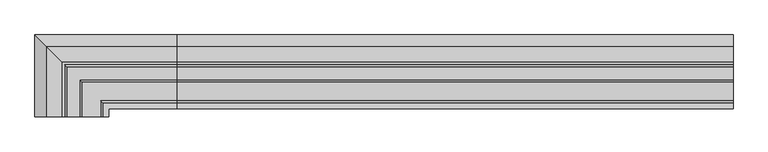
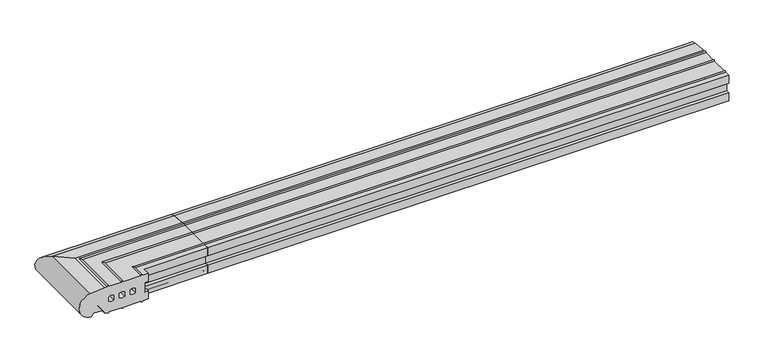
"""IFC4 building model written with IfcOpenShell, lengths in millimetres: proxy geometry."""

from ifc_helpers import new_model, si_unit, point, frame, frame_2d, origin, place, context, project, spatial, polyline, circle_curve, ellipse_curve, trimmed, segment, composite_curve, outline, extrude, source, transform, mapped, element, save
from ifc_brep_helpers import plane_surface, cylinder_surface, revolved_surface, advanced_brep


def generic_models_230ff172(model_context):
    return source(origin(), model_context, "Body", "SolidModel", [
        advanced_brep(
        [(0.0, 26.5981483, 2.5074549), (0.0, 28.0858073, 50.4091909), (0.0, 0.0400993, 52.8558627), (0.0, -5.0, 52.8558627), (0.0, -8.5, 52.8558627), (0.0, -33.0, 52.8558627), (0.0, -36.5, 52.8558627), (0.0, -71.0, 52.8558627), (0.0, -74.5, 52.8558627), (0.0, -85.0, 52.8558627), (0.0, -85.0, 36.5), (0.0, -78.0, 36.5), (0.0, -78.0, 16.5), (0.0, -85.0, 16.5), (0.0, -85.0, 0.0), (0.0, -74.5, 0.0), (0.0, -71.0, 0.0), (0.0, -36.5, 0.0), (0.0, -33.0, 0.0), (0.0, -8.5, 0.0), (0.0, -5.0, 0.0), (0.0, -0.5773503, 0.0), (0.0, 0.2886751, 0.5), (0.0, 3.7527767, 6.5), (0.0, 5.4848276, 7.5), (0.0, 21.9585481, 7.5), (0.0, 23.6905989, 6.5), (0.0, 25.7072001, 3.0071443), (0.0, -8.0, 31.0), (0.0, -8.0, 22.0), (0.0, -18.0, 22.0), (0.0, -18.0, 31.0), (0.0, -29.0, 22.0), (0.0, -39.0, 22.0), (0.0, -39.0, 31.0), (0.0, -29.0, 31.0), (0.0, -50.0, 22.0), (0.0, -60.0, 22.0), (0.0, -60.0, 31.0), (0.0, -50.0, 31.0), (-236.5981483, -100.0, 2.5074549), (-235.7072001, -100.0, 3.0071443), (-233.6905989, -100.0, 6.5), (-231.9585481, -100.0, 7.5), (-215.4848276, -100.0, 7.5), (-213.7527767, -100.0, 6.5), (-210.2886751, -100.0, 0.5), (-209.4226497, -100.0, 0.0), (-205.0, -100.0, 0.0), (-201.5, -100.0, 0.0), (-177.0, -100.0, 0.0), (-173.5, -100.0, 0.0), (-139.0, -100.0, 0.0), (-135.5, -100.0, 0.0), (-125.0, -100.0, 0.0), (-125.0, -100.0, 16.5), (-132.0, -100.0, 16.5), (-132.0, -100.0, 36.5), (-125.0, -100.0, 36.5), (-125.0, -100.0, 52.8558627), (-135.5, -100.0, 52.8558627), (-139.0, -100.0, 52.8558627), (-173.5, -100.0, 52.8558627), (-177.0, -100.0, 52.8558627), (-201.5, -100.0, 52.8558627), (-205.0, -100.0, 52.8558627), (-210.0400993, -100.0, 52.8558627), (-238.0858073, -100.0, 50.4091909), (-202.0, -100.0, 31.0), (-192.0, -100.0, 31.0), (-192.0, -100.0, 22.0), (-202.0, -100.0, 22.0), (-181.0, -100.0, 22.0), (-181.0, -100.0, 31.0), (-171.0, -100.0, 31.0), (-171.0, -100.0, 22.0), (-160.0, -100.0, 22.0), (-160.0, -100.0, 31.0), (-150.0, -100.0, 31.0), (-150.0, -100.0, 22.0), (-235.7072001, 25.7072001, 3.0071443), (-236.5981483, 26.5981483, 2.5074549), (-233.6905989, 23.6905989, 6.5), (-231.9585481, 21.9585481, 7.5), (-215.4848276, 5.4848276, 7.5), (-213.7527767, 3.7527767, 6.5), (-210.2886751, 0.2886751, 0.5), (-209.4226497, -0.5773503, 0.0), (-205.0, -5.0, 0.0), (-201.5, -8.5, 0.0), (-177.0, -33.0, 0.0), (-173.5, -36.5, 0.0), (-139.0, -71.0, 0.0), (-135.5, -74.5, 0.0), (-125.0, -85.0, 0.0), (-125.0, -85.0, 16.5), (-132.0, -78.0, 16.5), (-132.0, -78.0, 36.5), (-125.0, -85.0, 36.5), (-125.0, -85.0, 52.8558627), (-135.5, -74.5, 52.8558627), (-139.0, -71.0, 52.8558627), (-173.5, -36.5, 52.8558627), (-177.0, -33.0, 52.8558627), (-201.5, -8.5, 52.8558627), (-205.0, -5.0, 52.8558627), (-210.0400993, 0.0400993, 52.8558627), (-238.0858073, 28.0858073, 50.4091909), (-192.0, -18.0, 31.0), (-202.0, -8.0, 31.0), (-192.0, -18.0, 22.0), (-202.0, -8.0, 22.0), (-181.0, -29.0, 31.0), (-181.0, -29.0, 22.0), (-171.0, -39.0, 31.0), (-171.0, -39.0, 22.0), (-160.0, -50.0, 31.0), (-160.0, -50.0, 22.0), (-150.0, -60.0, 31.0), (-150.0, -60.0, 22.0)],
        [
            (0, 1, circle_curve(frame((0.0, 26.0, 26.5), z_axis=(1.0, 0.0, 0.0), x_axis=(0.0, 1.0, 0.0)), 24.0)),
            (1, 2),
            (2, 3),
            (3, 4, circle_curve(frame((0.0, -6.75, 52.8558627), z_axis=(1.0, 0.0, 0.0), x_axis=(0.0, 1.0, 0.0)), 1.75)),
            (4, 5),
            (5, 6, circle_curve(frame((0.0, -34.75, 52.8558627), z_axis=(1.0, 0.0, 0.0), x_axis=(0.0, 1.0, 0.0)), 1.75)),
            (6, 7),
            (7, 8, circle_curve(frame((0.0, -72.75, 52.8558627), z_axis=(1.0, 0.0, 0.0), x_axis=(0.0, 1.0, 0.0)), 1.75)),
            (8, 9),
            (9, 10),
            (10, 11),
            (11, 12),
            (12, 13),
            (13, 14),
            (14, 15),
            (15, 16, circle_curve(frame((0.0, -72.75, 0.0), z_axis=(1.0, 0.0, 0.0), x_axis=(0.0, 1.0, 0.0)), 1.75)),
            (16, 17),
            (17, 18, circle_curve(frame((0.0, -34.75, 0.0), z_axis=(1.0, 0.0, 0.0), x_axis=(0.0, 1.0, 0.0)), 1.75)),
            (18, 19),
            (19, 20, circle_curve(frame((0.0, -6.75, 0.0), z_axis=(1.0, 0.0, 0.0), x_axis=(0.0, 1.0, 0.0)), 1.75)),
            (20, 21),
            (21, 22, circle_curve(frame((0.0, -0.5773503, 1.0), z_axis=(1.0, 0.0, 0.0), x_axis=(0.0, 1.0, 0.0)), 1.0)),
            (22, 23),
            (23, 24, circle_curve(frame((0.0, 5.4848276, 5.5), z_axis=(-1.0, 0.0, 0.0), x_axis=(0.0, 1.0, 0.0)), 2.0)),
            (24, 25),
            (25, 26, circle_curve(frame((0.0, 21.9585481, 5.5), z_axis=(-1.0, 0.0, 0.0), x_axis=(0.0, 1.0, 0.0)), 2.0)),
            (26, 27),
            (27, 0, circle_curve(frame((0.0, 26.5732255, 3.5071443), z_axis=(1.0, 0.0, 0.0), x_axis=(0.0, 1.0, 0.0)), 1.0)),
            (28, 29),
            (29, 30, circle_curve(frame((0.0, -13.0, 29.5833333), z_axis=(-1.0, 0.0, 0.0), x_axis=(0.0, 1.0, 0.0)), 9.0833333)),
            (30, 31),
            (31, 28, circle_curve(frame((0.0, -13.0, 23.4166667), z_axis=(-1.0, 0.0, 0.0), x_axis=(0.0, 1.0, 0.0)), 9.0833333)),
            (32, 33, circle_curve(frame((0.0, -34.0, 29.5833333), z_axis=(-1.0, 0.0, 0.0), x_axis=(0.0, 1.0, 0.0)), 9.0833333)),
            (33, 34),
            (34, 35, circle_curve(frame((0.0, -34.0, 23.4166667), z_axis=(-1.0, 0.0, 0.0), x_axis=(0.0, 1.0, 0.0)), 9.0833333)),
            (35, 32),
            (36, 37, circle_curve(frame((0.0, -55.0, 29.5833333), z_axis=(-1.0, 0.0, 0.0), x_axis=(0.0, 1.0, 0.0)), 9.0833333)),
            (37, 38),
            (38, 39, circle_curve(frame((0.0, -55.0, 23.4166667), z_axis=(-1.0, 0.0, 0.0), x_axis=(0.0, 1.0, 0.0)), 9.0833333)),
            (39, 36),
            (40, 41, circle_curve(frame((-236.5732255, -100.0, 3.5071443), z_axis=(0.0, -1.0, 0.0), x_axis=(-1.0, 0.0, 0.0)), 1.0)),
            (41, 42),
            (42, 43, circle_curve(frame((-231.9585481, -100.0, 5.5), z_axis=(0.0, 1.0, 0.0), x_axis=(-1.0, 0.0, 0.0)), 2.0)),
            (43, 44),
            (44, 45, circle_curve(frame((-215.4848276, -100.0, 5.5), z_axis=(0.0, 1.0, 0.0), x_axis=(-1.0, 0.0, 0.0)), 2.0)),
            (45, 46),
            (46, 47, circle_curve(frame((-209.4226497, -100.0, 1.0), z_axis=(0.0, -1.0, 0.0), x_axis=(-1.0, 0.0, 0.0)), 1.0)),
            (47, 48),
            (48, 49, circle_curve(frame((-203.25, -100.0, 0.0), z_axis=(0.0, -1.0, 0.0), x_axis=(-1.0, 0.0, 0.0)), 1.75)),
            (49, 50),
            (50, 51, circle_curve(frame((-175.25, -100.0, 0.0), z_axis=(0.0, -1.0, 0.0), x_axis=(-1.0, 0.0, 0.0)), 1.75)),
            (51, 52),
            (52, 53, circle_curve(frame((-137.25, -100.0, 0.0), z_axis=(0.0, -1.0, 0.0), x_axis=(-1.0, 0.0, 0.0)), 1.75)),
            (53, 54),
            (54, 55),
            (55, 56),
            (56, 57),
            (57, 58),
            (58, 59),
            (59, 60),
            (60, 61, circle_curve(frame((-137.25, -100.0, 52.8558627), z_axis=(0.0, -1.0, 0.0), x_axis=(-1.0, 0.0, 0.0)), 1.75)),
            (61, 62),
            (62, 63, circle_curve(frame((-175.25, -100.0, 52.8558627), z_axis=(0.0, -1.0, 0.0), x_axis=(-1.0, 0.0, 0.0)), 1.75)),
            (63, 64),
            (64, 65, circle_curve(frame((-203.25, -100.0, 52.8558627), z_axis=(0.0, -1.0, 0.0), x_axis=(-1.0, 0.0, 0.0)), 1.75)),
            (65, 66),
            (66, 67),
            (67, 40, circle_curve(frame((-236.0, -100.0, 26.5), z_axis=(0.0, -1.0, 0.0), x_axis=(-1.0, 0.0, 0.0)), 24.0)),
            (68, 69, circle_curve(frame((-197.0, -100.0, 23.4166667), z_axis=(0.0, 1.0, 0.0), x_axis=(-1.0, 0.0, 0.0)), 9.0833333)),
            (69, 70),
            (70, 71, circle_curve(frame((-197.0, -100.0, 29.5833333), z_axis=(0.0, 1.0, 0.0), x_axis=(-1.0, 0.0, 0.0)), 9.0833333)),
            (71, 68),
            (72, 73),
            (73, 74, circle_curve(frame((-176.0, -100.0, 23.4166667), z_axis=(0.0, 1.0, 0.0), x_axis=(-1.0, 0.0, 0.0)), 9.0833333)),
            (74, 75),
            (75, 72, circle_curve(frame((-176.0, -100.0, 29.5833333), z_axis=(0.0, 1.0, 0.0), x_axis=(-1.0, 0.0, 0.0)), 9.0833333)),
            (76, 77),
            (77, 78, circle_curve(frame((-155.0, -100.0, 23.4166667), z_axis=(0.0, 1.0, 0.0), x_axis=(-1.0, 0.0, 0.0)), 9.0833333)),
            (78, 79),
            (79, 76, circle_curve(frame((-155.0, -100.0, 29.5833333), z_axis=(0.0, 1.0, 0.0), x_axis=(-1.0, 0.0, 0.0)), 9.0833333)),
            (27, 80),
            (80, 81, ellipse_curve(frame((-236.5732255, 26.5732255, 3.5071443), z_axis=(0.70710678118655, 0.7071067811865449, 0.0), x_axis=(0.7071067811865451, -0.7071067811865499, 0.0)), 1.4142136, 1.0)),
            (81, 0),
            (26, 82),
            (82, 80),
            (25, 83),
            (83, 82, ellipse_curve(frame((-231.9585481, 21.9585481, 5.5), z_axis=(-0.70710678118655, -0.7071067811865449, 0.0), x_axis=(-0.7071067811865451, 0.7071067811865499, 0.0)), 2.8284271, 2.0)),
            (24, 84),
            (84, 44),
            (43, 83),
            (23, 85),
            (85, 84, ellipse_curve(frame((-215.4848276, 5.4848276, 5.5), z_axis=(-0.70710678118655, -0.7071067811865449, 0.0), x_axis=(-0.7071067811865451, 0.7071067811865499, 0.0)), 2.8284271, 2.0)),
            (22, 86),
            (86, 85),
            (21, 87),
            (87, 86, ellipse_curve(frame((-209.4226497, -0.5773503, 1.0), z_axis=(0.70710678118655, 0.7071067811865449, 0.0), x_axis=(0.7071067811865451, -0.7071067811865499, 0.0)), 1.4142136, 1.0)),
            (20, 88),
            (88, 48),
            (47, 87),
            (19, 89),
            (89, 88, ellipse_curve(frame((-203.25, -6.75, 0.0), z_axis=(0.70710678118655, 0.7071067811865449, 0.0), x_axis=(0.7071067811865451, -0.7071067811865499, 0.0)), 2.4748737, 1.75)),
            (18, 90),
            (90, 50),
            (49, 89),
            (17, 91),
            (91, 90, ellipse_curve(frame((-175.25, -34.75, 0.0), z_axis=(0.70710678118655, 0.7071067811865449, 0.0), x_axis=(0.7071067811865451, -0.7071067811865499, 0.0)), 2.4748737, 1.75)),
            (16, 92),
            (92, 52),
            (51, 91),
            (15, 93),
            (93, 92, ellipse_curve(frame((-137.25, -72.75, 0.0), z_axis=(0.70710678118655, 0.7071067811865449, 0.0), x_axis=(0.7071067811865451, -0.7071067811865499, 0.0)), 2.4748737, 1.75)),
            (14, 94),
            (94, 54),
            (53, 93),
            (13, 95),
            (95, 94),
            (12, 96),
            (96, 56),
            (55, 95),
            (11, 97),
            (97, 96),
            (10, 98),
            (98, 58),
            (57, 97),
            (9, 99),
            (99, 98),
            (8, 100),
            (100, 60),
            (59, 99),
            (7, 101),
            (101, 100, ellipse_curve(frame((-137.25, -72.75, 52.8558627), z_axis=(0.70710678118655, 0.7071067811865449, 0.0), x_axis=(0.7071067811865451, -0.7071067811865499, 0.0)), 2.4748737, 1.75)),
            (6, 102),
            (102, 62),
            (61, 101),
            (5, 103),
            (103, 102, ellipse_curve(frame((-175.25, -34.75, 52.8558627), z_axis=(0.70710678118655, 0.7071067811865449, 0.0), x_axis=(0.7071067811865451, -0.7071067811865499, 0.0)), 2.4748737, 1.75)),
            (4, 104),
            (104, 64),
            (63, 103),
            (3, 105),
            (105, 104, ellipse_curve(frame((-203.25, -6.75, 52.8558627), z_axis=(0.70710678118655, 0.7071067811865449, 0.0), x_axis=(0.7071067811865451, -0.7071067811865499, 0.0)), 2.4748737, 1.75)),
            (2, 106),
            (106, 66),
            (65, 105),
            (1, 107),
            (107, 106),
            (81, 107, ellipse_curve(frame((-236.0, 26.0, 26.5), z_axis=(0.70710678118655, 0.7071067811865449, 0.0), x_axis=(0.7071067811865451, -0.7071067811865499, 0.0)), 33.9411255, 24.0)),
            (31, 108),
            (108, 109, ellipse_curve(frame((-197.0, -13.0, 23.4166667), z_axis=(-0.70710678118655, -0.7071067811865449, 0.0), x_axis=(-0.7071067811865451, 0.7071067811865499, 0.0)), 12.8457732, 9.0833333)),
            (109, 28),
            (30, 110),
            (110, 108),
            (29, 111),
            (111, 110, ellipse_curve(frame((-197.0, -13.0, 29.5833333), z_axis=(-0.70710678118655, -0.7071067811865449, 0.0), x_axis=(-0.7071067811865451, 0.7071067811865499, 0.0)), 12.8457732, 9.0833333)),
            (109, 111),
            (35, 112),
            (112, 113),
            (113, 32),
            (34, 114),
            (114, 112, ellipse_curve(frame((-176.0, -34.0, 23.4166667), z_axis=(-0.70710678118655, -0.7071067811865449, 0.0), x_axis=(-0.7071067811865451, 0.7071067811865499, 0.0)), 12.8457732, 9.0833333)),
            (33, 115),
            (115, 114),
            (113, 115, ellipse_curve(frame((-176.0, -34.0, 29.5833333), z_axis=(-0.70710678118655, -0.7071067811865449, 0.0), x_axis=(-0.7071067811865451, 0.7071067811865499, 0.0)), 12.8457732, 9.0833333)),
            (39, 116),
            (116, 117),
            (117, 36),
            (38, 118),
            (118, 116, ellipse_curve(frame((-155.0, -55.0, 23.4166667), z_axis=(-0.70710678118655, -0.7071067811865449, 0.0), x_axis=(-0.7071067811865451, 0.7071067811865499, 0.0)), 12.8457732, 9.0833333)),
            (37, 119),
            (119, 118),
            (117, 119, ellipse_curve(frame((-155.0, -55.0, 29.5833333), z_axis=(-0.70710678118655, -0.7071067811865449, 0.0), x_axis=(-0.7071067811865451, 0.7071067811865499, 0.0)), 12.8457732, 9.0833333)),
            (80, 41),
            (40, 81),
            (82, 42),
            (85, 45),
            (86, 46),
            (107, 67),
            (108, 69),
            (68, 109),
            (110, 70),
            (111, 71),
            (112, 73),
            (72, 113),
            (114, 74),
            (115, 75),
            (116, 77),
            (76, 117),
            (118, 78),
            (119, 79),
        ],
        [
            plane_surface(frame((0.0, 0.0, 0.0), z_axis=(1.0, 0.0, 0.0), x_axis=(0.0, 0.0, 1.0))),
            plane_surface(frame((-210.0, -100.0, 0.0), z_axis=(0.0, -1.0, 0.0), x_axis=(0.0, 0.0, 1.0))),
            cylinder_surface(frame((0.0, 26.5732255, 3.5071443), z_axis=(1.0, 0.0, 0.0), x_axis=(0.0, 1.0, 0.0)), 1.0),
            plane_surface(frame((0.0, 23.6905989, 6.5), z_axis=(0.0, -0.8660254037844395, -0.4999999999999987), x_axis=(-1.0, 0.0, 0.0))),
            revolved_surface(polyline([(-233.9585480825018, 23.9585481, 5.5), (0.0, 23.9585481, 5.5)]), (0.0, 21.9585481, 5.5), (-1.0, 0.0, 0.0)),
            plane_surface(frame((0.0, 5.4848276, 7.5), z_axis=(0.0, 0.0, -1.0), x_axis=(-1.0, 0.0, 0.0))),
            revolved_surface(polyline([(-217.4848275825018, 7.4848276, 5.5), (0.0, 7.4848276, 5.5)]), (0.0, 5.4848276, 5.5), (-1.0, 0.0, 0.0)),
            plane_surface(frame((0.0, 0.2886751, 0.5), z_axis=(0.0, 0.8660254037844367, -0.5000000000000033), x_axis=(-1.0, 0.0, 0.0))),
            cylinder_surface(frame((0.0, -0.5773503, 1.0), z_axis=(1.0, 0.0, 0.0), x_axis=(0.0, 1.0, 0.0)), 1.0),
            plane_surface(frame((0.0, -5.0, 0.0), z_axis=(0.0, 0.0, -1.0), x_axis=(-1.0, 0.0, 0.0))),
            cylinder_surface(frame((0.0, -6.75, 0.0), z_axis=(1.0, 0.0, 0.0), x_axis=(0.0, 1.0, 0.0)), 1.75),
            plane_surface(frame((0.0, -33.0, 0.0), z_axis=(0.0, 0.0, -1.0), x_axis=(-1.0, 0.0, 0.0))),
            cylinder_surface(frame((0.0, -34.75, 0.0), z_axis=(1.0, 0.0, 0.0), x_axis=(0.0, 1.0, 0.0)), 1.75),
            plane_surface(frame((0.0, -71.0, 0.0), z_axis=(0.0, 0.0, -1.0), x_axis=(-1.0, 0.0, 0.0))),
            cylinder_surface(frame((0.0, -72.75, 0.0), z_axis=(1.0, 0.0, 0.0), x_axis=(0.0, 1.0, 0.0)), 1.75),
            plane_surface(frame((0.0, -85.0, 0.0), z_axis=(0.0, 0.0, -1.0), x_axis=(-1.0, 0.0, 0.0))),
            plane_surface(frame((0.0, -85.0, 16.5), z_axis=(0.0, -1.0, 0.0), x_axis=(-1.0, 0.0, 0.0))),
            plane_surface(frame((0.0, -78.0, 16.5), z_axis=(0.0, 0.0, 1.0), x_axis=(-1.0, 0.0, 0.0))),
            plane_surface(frame((0.0, -78.0, 36.5), z_axis=(0.0, -1.0, 0.0), x_axis=(-1.0, 0.0, 0.0))),
            plane_surface(frame((0.0, -85.0, 36.5), z_axis=(0.0, 0.0, -1.0), x_axis=(-1.0, 0.0, 0.0))),
            plane_surface(frame((0.0, -85.0, 52.8558627), z_axis=(0.0, -1.0, 0.0), x_axis=(-1.0, 0.0, 0.0))),
            plane_surface(frame((0.0, -74.5, 52.8558627), z_axis=(0.0, 0.0, 1.0), x_axis=(-1.0, 0.0, 0.0))),
            cylinder_surface(frame((0.0, -72.75, 52.8558627), z_axis=(1.0, 0.0, 0.0), x_axis=(0.0, 1.0, 0.0)), 1.75),
            plane_surface(frame((0.0, -36.5, 52.8558627), z_axis=(0.0, 0.0, 1.0), x_axis=(-1.0, 0.0, 0.0))),
            cylinder_surface(frame((0.0, -34.75, 52.8558627), z_axis=(1.0, 0.0, 0.0), x_axis=(0.0, 1.0, 0.0)), 1.75),
            plane_surface(frame((0.0, -8.5, 52.8558627), z_axis=(0.0, 0.0, 1.0), x_axis=(-1.0, 0.0, 0.0))),
            cylinder_surface(frame((0.0, -6.75, 52.8558627), z_axis=(1.0, 0.0, 0.0), x_axis=(0.0, 1.0, 0.0)), 1.75),
            plane_surface(frame((0.0, 0.0400993, 52.8558627), z_axis=(0.0, 0.0, 1.0), x_axis=(-1.0, 0.0, 0.0))),
            plane_surface(frame((0.0, 28.0858073, 50.4091909), z_axis=(0.0, 0.0869086394462769, 0.9962162859487879), x_axis=(-1.0, 0.0, 0.0))),
            cylinder_surface(frame((0.0, 26.0, 26.5), z_axis=(1.0, 0.0, 0.0), x_axis=(0.0, 1.0, 0.0)), 24.0),
            revolved_surface(polyline([(-206.08333333930437, -3.9166667000000004, 23.4166667), (0.0, -3.9166667000000004, 23.4166667)]), (0.0, -13.0, 23.4166667), (-1.0, 0.0, 0.0)),
            plane_surface(frame((0.0, -18.0, 22.0), z_axis=(0.0, 1.0, 0.0), x_axis=(-1.0, 0.0, 0.0))),
            revolved_surface(polyline([(-206.08333333930437, -3.9166667000000004, 29.5833333), (0.0, -3.9166667000000004, 29.5833333)]), (0.0, -13.0, 29.5833333), (-1.0, 0.0, 0.0)),
            plane_surface(frame((0.0, -8.0, 31.0), z_axis=(0.0, -1.0, 0.0), x_axis=(-1.0, 0.0, 0.0))),
            plane_surface(frame((0.0, -29.0, 31.0), z_axis=(0.0, -1.0, 0.0), x_axis=(-1.0, 0.0, 0.0))),
            revolved_surface(polyline([(-185.08333333930437, -24.9166667, 23.4166667), (0.0, -24.9166667, 23.4166667)]), (0.0, -34.0, 23.4166667), (-1.0, 0.0, 0.0)),
            plane_surface(frame((0.0, -39.0, 22.0), z_axis=(0.0, 1.0, 0.0), x_axis=(-1.0, 0.0, 0.0))),
            revolved_surface(polyline([(-185.08333333930437, -24.9166667, 29.5833333), (0.0, -24.9166667, 29.5833333)]), (0.0, -34.0, 29.5833333), (-1.0, 0.0, 0.0)),
            plane_surface(frame((0.0, -50.0, 31.0), z_axis=(0.0, -1.0, 0.0), x_axis=(-1.0, 0.0, 0.0))),
            revolved_surface(polyline([(-164.08333333930437, -45.9166667, 23.4166667), (0.0, -45.9166667, 23.4166667)]), (0.0, -55.0, 23.4166667), (-1.0, 0.0, 0.0)),
            plane_surface(frame((0.0, -60.0, 22.0), z_axis=(0.0, 1.0, 0.0), x_axis=(-1.0, 0.0, 0.0))),
            revolved_surface(polyline([(-164.08333333930437, -45.9166667, 29.5833333), (0.0, -45.9166667, 29.5833333)]), (0.0, -55.0, 29.5833333), (-1.0, 0.0, 0.0)),
            cylinder_surface(frame((-236.5732255, 0.0, 3.5071443), z_axis=(0.0, 1.0, 0.0), x_axis=(-1.0, 0.0, 0.0)), 1.0),
            plane_surface(frame((-233.6905989, 23.6905989, 6.5), z_axis=(0.8660254037844395, 0.0, -0.49999999999999867), x_axis=(0.0, -1.0, 0.0))),
            revolved_surface(polyline([(-233.9585481, -100.0, 5.5), (-233.9585481, 23.95854808250181, 5.5)]), (-231.9585481, 0.0, 5.5), (0.0, -1.0, 0.0)),
            revolved_surface(polyline([(-217.4848276, -100.0, 5.5), (-217.4848276, 7.484827582501808, 5.5)]), (-215.4848276, 0.0, 5.5), (0.0, -1.0, 0.0)),
            plane_surface(frame((-210.2886751, 0.2886751, 0.5), z_axis=(-0.8660254037844368, 0.0, -0.5000000000000033), x_axis=(0.0, -1.0, 0.0))),
            cylinder_surface(frame((-209.4226497, 0.0, 1.0), z_axis=(0.0, 1.0, 0.0), x_axis=(-1.0, 0.0, 0.0)), 1.0),
            cylinder_surface(frame((-203.25, 0.0, 0.0), z_axis=(0.0, 1.0, 0.0), x_axis=(-1.0, 0.0, 0.0)), 1.75),
            cylinder_surface(frame((-175.25, 0.0, 0.0), z_axis=(0.0, 1.0, 0.0), x_axis=(-1.0, 0.0, 0.0)), 1.75),
            cylinder_surface(frame((-137.25, 0.0, 0.0), z_axis=(0.0, 1.0, 0.0), x_axis=(-1.0, 0.0, 0.0)), 1.75),
            plane_surface(frame((-125.0, -85.0, 16.5), z_axis=(1.0, 0.0, 0.0), x_axis=(0.0, -1.0, 0.0))),
            plane_surface(frame((-132.0, -78.0, 36.5), z_axis=(1.0, 0.0, 0.0), x_axis=(0.0, -1.0, 0.0))),
            plane_surface(frame((-125.0, -85.0, 52.8558627), z_axis=(1.0, 0.0, 0.0), x_axis=(0.0, -1.0, 0.0))),
            cylinder_surface(frame((-137.25, 0.0, 52.8558627), z_axis=(0.0, 1.0, 0.0), x_axis=(-1.0, 0.0, 0.0)), 1.75),
            cylinder_surface(frame((-175.25, 0.0, 52.8558627), z_axis=(0.0, 1.0, 0.0), x_axis=(-1.0, 0.0, 0.0)), 1.75),
            cylinder_surface(frame((-203.25, 0.0, 52.8558627), z_axis=(0.0, 1.0, 0.0), x_axis=(-1.0, 0.0, 0.0)), 1.75),
            plane_surface(frame((-238.0858073, 28.0858073, 50.4091909), z_axis=(-0.08690863944627691, 0.0, 0.9962162859487879), x_axis=(0.0, -1.0, 0.0))),
            cylinder_surface(frame((-236.0, 0.0, 26.5), z_axis=(0.0, 1.0, 0.0), x_axis=(-1.0, 0.0, 0.0)), 24.0),
            revolved_surface(polyline([(-206.0833333, -100.0, 23.4166667), (-206.0833333, -3.9166666606955527, 23.4166667)]), (-197.0, 0.0, 23.4166667), (0.0, -1.0, 0.0)),
            plane_surface(frame((-192.0, -18.0, 22.0), z_axis=(-1.0, 0.0, 0.0), x_axis=(0.0, -1.0, 0.0))),
            revolved_surface(polyline([(-206.0833333, -100.0, 29.5833333), (-206.0833333, -3.9166666606955527, 29.5833333)]), (-197.0, 0.0, 29.5833333), (0.0, -1.0, 0.0)),
            plane_surface(frame((-202.0, -8.0, 31.0), z_axis=(1.0, 0.0, 0.0), x_axis=(0.0, -1.0, 0.0))),
            plane_surface(frame((-181.0, -29.0, 31.0), z_axis=(1.0, 0.0, 0.0), x_axis=(0.0, -1.0, 0.0))),
            revolved_surface(polyline([(-185.0833333, -100.0, 23.4166667), (-185.0833333, -24.916666660695554, 23.4166667)]), (-176.0, 0.0, 23.4166667), (0.0, -1.0, 0.0)),
            plane_surface(frame((-171.0, -39.0, 22.0), z_axis=(-1.0, 0.0, 0.0), x_axis=(0.0, -1.0, 0.0))),
            revolved_surface(polyline([(-185.0833333, -100.0, 29.5833333), (-185.0833333, -24.916666660695554, 29.5833333)]), (-176.0, 0.0, 29.5833333), (0.0, -1.0, 0.0)),
            plane_surface(frame((-160.0, -50.0, 31.0), z_axis=(1.0, 0.0, 0.0), x_axis=(0.0, -1.0, 0.0))),
            revolved_surface(polyline([(-164.0833333, -100.0, 23.4166667), (-164.0833333, -45.916666660695554, 23.4166667)]), (-155.0, 0.0, 23.4166667), (0.0, -1.0, 0.0)),
            plane_surface(frame((-150.0, -60.0, 22.0), z_axis=(-1.0, 0.0, 0.0), x_axis=(0.0, -1.0, 0.0))),
            revolved_surface(polyline([(-164.0833333, -100.0, 29.5833333), (-164.0833333, -45.916666660695554, 29.5833333)]), (-155.0, 0.0, 29.5833333), (0.0, -1.0, 0.0)),
        ],
        [
            (0, [[1, 2, 3, 4, 5, 6, 7, 8, 9, 10, 11, 12, 13, 14, 15, 16, 17, 18, 19, 20, 21, 22, 23, 24, 25, 26, 27, 28], [29, 30, 31, 32], [33, 34, 35, 36], [37, 38, 39, 40]]),
            (1, [[41, 42, 43, 44, 45, 46, 47, 48, 49, 50, 51, 52, 53, 54, 55, 56, 57, 58, 59, 60, 61, 62, 63, 64, 65, 66, 67, 68], [69, 70, 71, 72], [73, 74, 75, 76], [77, 78, 79, 80]]),
            (2, [[-28, 81, 82, 83]]),
            (3, [[-27, 84, 85, -81]]),
            (4, [[-26, 86, 87, -84]]),
            (5, [[-25, 88, 89, -44, 90, -86]]),
            (6, [[-24, 91, 92, -88]]),
            (7, [[-23, 93, 94, -91]]),
            (8, [[-22, 95, 96, -93]]),
            (9, [[-21, 97, 98, -48, 99, -95]]),
            (10, [[-20, 100, 101, -97]]),
            (11, [[-19, 102, 103, -50, 104, -100]]),
            (12, [[-18, 105, 106, -102]]),
            (13, [[-17, 107, 108, -52, 109, -105]]),
            (14, [[-16, 110, 111, -107]]),
            (15, [[-15, 112, 113, -54, 114, -110]]),
            (16, [[-14, 115, 116, -112]]),
            (17, [[-13, 117, 118, -56, 119, -115]]),
            (18, [[-12, 120, 121, -117]]),
            (19, [[-11, 122, 123, -58, 124, -120]]),
            (20, [[-10, 125, 126, -122]]),
            (21, [[-9, 127, 128, -60, 129, -125]]),
            (22, [[-8, 130, 131, -127]]),
            (23, [[-7, 132, 133, -62, 134, -130]]),
            (24, [[-6, 135, 136, -132]]),
            (25, [[-5, 137, 138, -64, 139, -135]]),
            (26, [[-4, 140, 141, -137]]),
            (27, [[-3, 142, 143, -66, 144, -140]]),
            (28, [[-2, 145, 146, -142]]),
            (29, [[-1, -83, 147, -145]]),
            (30, [[-32, 148, 149, 150]]),
            (31, [[-31, 151, 152, -148]]),
            (32, [[-30, 153, 154, -151]]),
            (33, [[-29, -150, 155, -153]]),
            (34, [[-36, 156, 157, 158]]),
            (35, [[-35, 159, 160, -156]]),
            (36, [[-34, 161, 162, -159]]),
            (37, [[-33, -158, 163, -161]]),
            (38, [[-40, 164, 165, 166]]),
            (39, [[-39, 167, 168, -164]]),
            (40, [[-38, 169, 170, -167]]),
            (41, [[-37, -166, 171, -169]]),
            (42, [[-82, 172, -41, 173]]),
            (43, [[-85, 174, -42, -172]]),
            (44, [[-87, -90, -43, -174]]),
            (45, [[-92, 175, -45, -89]]),
            (46, [[-94, 176, -46, -175]]),
            (47, [[-96, -99, -47, -176]]),
            (48, [[-101, -104, -49, -98]]),
            (49, [[-106, -109, -51, -103]]),
            (50, [[-111, -114, -53, -108]]),
            (51, [[-116, -119, -55, -113]]),
            (52, [[-121, -124, -57, -118]]),
            (53, [[-126, -129, -59, -123]]),
            (54, [[-131, -134, -61, -128]]),
            (55, [[-136, -139, -63, -133]]),
            (56, [[-141, -144, -65, -138]]),
            (57, [[-146, 177, -67, -143]]),
            (58, [[-147, -173, -68, -177]]),
            (59, [[-149, 178, -69, 179]]),
            (60, [[-152, 180, -70, -178]]),
            (61, [[-154, 181, -71, -180]]),
            (62, [[-155, -179, -72, -181]]),
            (63, [[-157, 182, -73, 183]]),
            (64, [[-160, 184, -74, -182]]),
            (65, [[-162, 185, -75, -184]]),
            (66, [[-163, -183, -76, -185]]),
            (67, [[-165, 186, -77, 187]]),
            (68, [[-168, 188, -78, -186]]),
            (69, [[-170, 189, -79, -188]]),
            (70, [[-171, -187, -80, -189]]),
        ],
    ),
        extrude(outline(composite_curve([segment(trimmed(circle_curve(frame_2d((26.5732255, 3.5071443)), 1.0), [point((26.5981483, 2.5074549))], [point((25.7072001, 3.0071443))], False, "CARTESIAN"), True, "CONTINUOUS"), segment(polyline([(25.7072001, 3.0071443), (23.6905989, 6.5)]), True, "CONTINUOUS"), segment(trimmed(circle_curve(frame_2d((21.9585481, 5.5)), 2.0), [point((23.6905989, 6.5))], [point((21.9585481, 7.5))], True, "CARTESIAN"), True, "CONTINUOUS"), segment(polyline([(21.9585481, 7.5), (5.4848276, 7.5)]), True, "CONTINUOUS"), segment(trimmed(circle_curve(frame_2d((5.4848276, 5.5)), 2.0), [point((5.4848276, 7.5))], [point((3.7527767, 6.5))], True, "CARTESIAN"), True, "CONTINUOUS"), segment(polyline([(3.7527767, 6.5), (0.2886751, 0.5)]), True, "CONTINUOUS"), segment(trimmed(circle_curve(frame_2d((-0.5773503, 1.0)), 1.0), [point((0.2886751, 0.5))], [point((-0.5773503, 0.0))], False, "CARTESIAN"), True, "CONTINUOUS"), segment(polyline([(-0.5773503, 0.0), (-5.0, 0.0)]), True, "CONTINUOUS"), segment(trimmed(circle_curve(frame_2d((-6.75, 0.0)), 1.75), [point((-5.0, 0.0))], [point((-8.5, 0.0))], False, "CARTESIAN"), True, "CONTINUOUS"), segment(polyline([(-8.5, 0.0), (-33.0, 0.0)]), True, "CONTINUOUS"), segment(trimmed(circle_curve(frame_2d((-34.75, 0.0)), 1.75), [point((-33.0, 0.0))], [point((-36.5, 0.0))], False, "CARTESIAN"), True, "CONTINUOUS"), segment(polyline([(-36.5, 0.0), (-71.0, 0.0)]), True, "CONTINUOUS"), segment(trimmed(circle_curve(frame_2d((-72.75, 0.0)), 1.75), [point((-71.0, 0.0))], [point((-74.5, 0.0))], False, "CARTESIAN"), True, "CONTINUOUS"), segment(polyline([(-74.5, 0.0), (-85.0, 0.0), (-85.0, 16.5), (-78.0, 16.5), (-78.0, 36.5), (-85.0, 36.5), (-85.0, 52.8558627), (-74.5, 52.8558627)]), True, "CONTINUOUS"), segment(trimmed(circle_curve(frame_2d((-72.75, 52.8558627)), 1.75), [point((-74.5, 52.8558627))], [point((-71.0, 52.8558627))], False, "CARTESIAN"), True, "CONTINUOUS"), segment(polyline([(-71.0, 52.8558627), (-36.5, 52.8558627)]), True, "CONTINUOUS"), segment(trimmed(circle_curve(frame_2d((-34.75, 52.8558627)), 1.75), [point((-36.5, 52.8558627))], [point((-33.0, 52.8558627))], False, "CARTESIAN"), True, "CONTINUOUS"), segment(polyline([(-33.0, 52.8558627), (-8.5, 52.8558627)]), True, "CONTINUOUS"), segment(trimmed(circle_curve(frame_2d((-6.75, 52.8558627)), 1.75), [point((-8.5, 52.8558627))], [point((-5.0, 52.8558627))], False, "CARTESIAN"), True, "CONTINUOUS"), segment(polyline([(-5.0, 52.8558627), (0.0400993, 52.8558627), (28.0858073, 50.4091909)]), True, "CONTINUOUS"), segment(trimmed(circle_curve(frame_2d((26.0, 26.5)), 24.0), [point((28.0858073, 50.4091909))], [point((26.5981483, 2.5074549))], False, "CARTESIAN"), True, "CONTINUOUS")], self_intersect=False), holes=[composite_curve([segment(trimmed(circle_curve(frame_2d((-13.0, 23.4166667)), 9.0833333), [point((-8.0, 31.0))], [point((-18.0, 31.0))], True, "CARTESIAN"), True, "CONTINUOUS"), segment(polyline([(-18.0, 31.0), (-18.0, 22.0)]), True, "CONTINUOUS"), segment(trimmed(circle_curve(frame_2d((-13.0, 29.5833333)), 9.0833333), [point((-18.0, 22.0))], [point((-8.0, 22.0))], True, "CARTESIAN"), True, "CONTINUOUS"), segment(polyline([(-8.0, 22.0), (-8.0, 31.0)]), True, "CONTINUOUS")], self_intersect=False), composite_curve([segment(polyline([(-29.0, 22.0), (-29.0, 31.0)]), True, "CONTINUOUS"), segment(trimmed(circle_curve(frame_2d((-34.0, 23.4166667)), 9.0833333), [point((-29.0, 31.0))], [point((-39.0, 31.0))], True, "CARTESIAN"), True, "CONTINUOUS"), segment(polyline([(-39.0, 31.0), (-39.0, 22.0)]), True, "CONTINUOUS"), segment(trimmed(circle_curve(frame_2d((-34.0, 29.5833333)), 9.0833333), [point((-39.0, 22.0))], [point((-29.0, 22.0))], True, "CARTESIAN"), True, "CONTINUOUS")], self_intersect=False), composite_curve([segment(polyline([(-50.0, 22.0), (-50.0, 31.0)]), True, "CONTINUOUS"), segment(trimmed(circle_curve(frame_2d((-55.0, 23.4166667)), 9.0833333), [point((-50.0, 31.0))], [point((-60.0, 31.0))], True, "CARTESIAN"), True, "CONTINUOUS"), segment(polyline([(-60.0, 31.0), (-60.0, 22.0)]), True, "CONTINUOUS"), segment(trimmed(circle_curve(frame_2d((-55.0, 29.5833333)), 9.0833333), [point((-60.0, 22.0))], [point((-50.0, 22.0))], True, "CARTESIAN"), True, "CONTINUOUS")], self_intersect=False)]), frame((0.0, 0.0, 0.0), z_axis=(1.0, 0.0, 0.0), x_axis=(0.0, 1.0, 0.0)), (0.0, 0.0, 1.0), 1020.0),
    ])


if __name__ == "__main__":
    model = new_model("IFC4")
    model_context = context("Model", 3, world=origin())
    ifc_project = project(units=[si_unit("LENGTHUNIT", "METRE", prefix="MILLI")], contexts=[model_context])
    site = spatial("IfcSite", under=ifc_project)
    building = spatial("IfcBuilding", under=site)
    placement = place(None, origin())
    generic_models_shape = generic_models_230ff172(model_context)
    element("IfcBuildingElementProxy", 1, Name="Generic Models", at=placement, inside=building, context=model_context, shape_type="MappedRepresentation", body=[
        mapped(generic_models_shape, transform((0.0, 0.0, 0.0), x_axis=(1.0, 0.0, 0.0), y_axis=(0.0, 1.0, 0.0), z_axis=(0.0, 0.0, 1.0))),
    ])
    save(model, "model.ifc")
